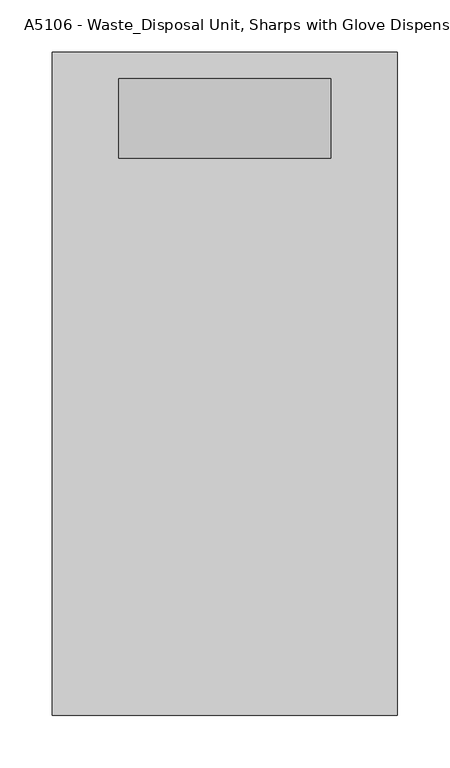
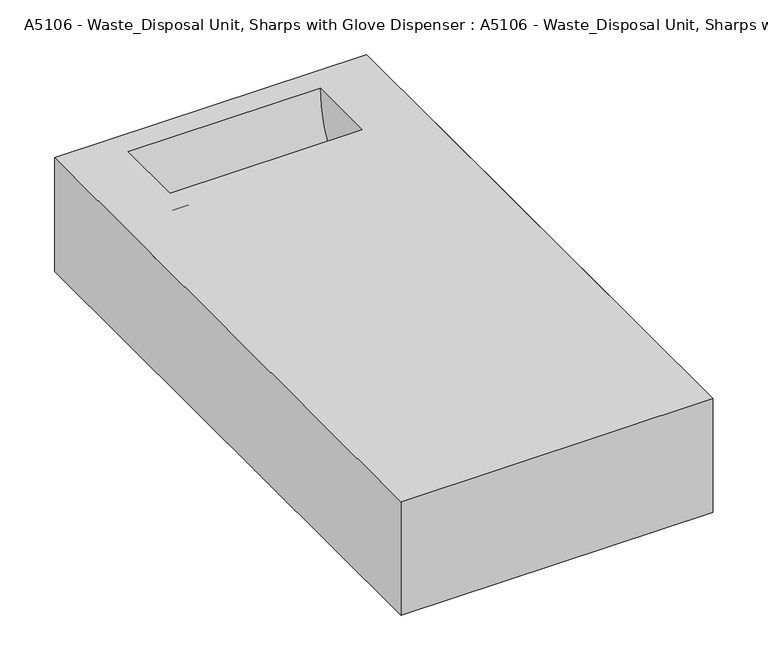
"""IFC4 building model written with IfcOpenShell, lengths in millimetres: proxy geometry, A5106 - Waste_Disposal Unit, Sharps with Glove Dispenser : A5106 - Waste_Disposal Unit, Sharps with Glove Dispenser."""

from ifc_helpers import new_model, si_unit, frame, origin, origin_with_axes, place, context, project, spatial, polyline, circle_curve, outline, extrude, source, transform, mapped, element, save
from ifc_brep_helpers import plane_surface, cylinder_surface, revolved_surface, advanced_brep


def a5106_waste_disposal_unit_sharps_with_glove_dispenser_a5106_6c6db77e(model_context):
    return source(origin(), model_context, "Body", "SolidModel", [
        advanced_brep(
        [(165.1, 558.8, 127.0), (-165.1, 558.8, 127.0), (-165.1, -76.2, 127.0), (165.1, -76.2, 127.0), (101.6, 533.4, 127.0), (101.6, 457.2, 127.0), (-101.6, 457.2, 127.0), (-101.6, 533.4, 127.0), (165.1, 558.8, 0.0), (165.1, -76.2, 0.0), (-165.1, -76.2, 0.0), (-165.1, 558.8, 0.0), (101.6, 457.2, 25.4), (-101.6, 457.2, 25.4)],
        [
            (0, 1),
            (1, 2),
            (2, 3),
            (3, 0),
            (4, 5),
            (5, 6),
            (6, 7),
            (7, 4),
            (8, 9),
            (9, 10),
            (10, 11),
            (11, 8),
            (0, 8),
            (11, 1),
            (10, 2),
            (9, 3),
            (4, 12, circle_curve(frame((101.6, 428.5291538, 126.2781346), z_axis=(-1.0, 0.0, 0.0), x_axis=(0.0, 1.0, 0.0)), 104.8733306)),
            (12, 5),
            (6, 13),
            (13, 7, circle_curve(frame((-101.6, 428.5291538, 126.2781346), z_axis=(1.0, 0.0, 0.0), x_axis=(0.0, 1.0, 0.0)), 104.8733306)),
            (12, 13),
        ],
        [
            plane_surface(frame((-165.1, 558.8, 127.0), z_axis=(0.0, 0.0, 1.0), x_axis=(-1.0, 0.0, 0.0))),
            plane_surface(frame((-165.1, 558.8, 0.0), z_axis=(0.0, 0.0, -1.0), x_axis=(1.0, 0.0, 0.0))),
            plane_surface(frame((165.1, 558.8, 127.0), z_axis=(0.0, 1.0, 0.0), x_axis=(0.0, 0.0, -1.0))),
            plane_surface(frame((-165.1, 558.8, 127.0), z_axis=(-1.0, 0.0, 0.0), x_axis=(0.0, 0.0, -1.0))),
            plane_surface(frame((-165.1, -76.2, 127.0), z_axis=(0.0, -1.0, 0.0), x_axis=(0.0, 0.0, -1.0))),
            plane_surface(frame((165.1, -76.2, 127.0), z_axis=(1.0, 0.0, 0.0), x_axis=(0.0, 0.0, -1.0))),
            plane_surface(frame((101.6, 457.2, 127.0), z_axis=(-1.0, 0.0, 0.0), x_axis=(0.0, 0.0, -1.0))),
            plane_surface(frame((-101.6, 457.2, 127.0), z_axis=(1.0, 0.0, 0.0), x_axis=(0.0, 0.0, 1.0))),
            plane_surface(frame((101.6, 457.2, 127.0), z_axis=(0.0, 1.0, 0.0), x_axis=(-1.0, 0.0, 0.0))),
            revolved_surface(polyline([(101.6, 533.4024844, 126.2781346), (-101.6, 533.4024844, 126.2781346)]), (-101.6, 428.5291538, 126.2781346), (1.0, 0.0, 0.0)),
        ],
        [
            (0, [[1, 2, 3, 4], [5, 6, 7, 8]]),
            (1, [[9, 10, 11, 12]]),
            (2, [[-1, 13, -12, 14]]),
            (3, [[-2, -14, -11, 15]]),
            (4, [[-3, -15, -10, 16]]),
            (5, [[-4, -16, -9, -13]]),
            (6, [[17, 18, -5]]),
            (7, [[19, 20, -7]]),
            (8, [[-18, 21, -19, -6]]),
            (9, [[-17, -8, -20, -21]]),
        ],
    ),
        advanced_brep(
        [(127.0, 431.8, 0.0), (127.0, 558.8, 127.0), (127.0, 431.8, 127.0), (-127.0, 431.8, 0.0), (-127.0, 431.8, 127.0), (-127.0, 558.8, 127.0), (101.6, 533.4, 127.0), (101.6, 457.2, 127.0), (-101.6, 457.2, 127.0), (-101.6, 533.4, 127.0), (101.6, 457.2, 25.4), (-101.6, 457.2, 25.4)],
        [
            (0, 1, circle_curve(frame((127.0, 431.8, 127.0), z_axis=(1.0, 0.0, 0.0), x_axis=(0.0, 0.0, -1.0)), 127.0)),
            (1, 2),
            (2, 0),
            (3, 4),
            (4, 5),
            (5, 3, circle_curve(frame((-127.0, 431.8, 127.0), z_axis=(-1.0, 0.0, 0.0), x_axis=(0.0, 0.0, -1.0)), 127.0)),
            (0, 3),
            (5, 1),
            (4, 2),
            (6, 7),
            (7, 8),
            (8, 9),
            (9, 6),
            (6, 10, circle_curve(frame((101.6, 428.5291538, 126.2781346), z_axis=(-1.0, 0.0, 0.0), x_axis=(0.0, 1.0, 0.0)), 104.8733306)),
            (10, 7),
            (8, 11),
            (11, 9, circle_curve(frame((-101.6, 428.5291538, 126.2781346), z_axis=(1.0, 0.0, 0.0), x_axis=(0.0, 1.0, 0.0)), 104.8733306)),
            (10, 11),
        ],
        [
            plane_surface(frame((127.0, 431.8, 0.0), z_axis=(1.0, 0.0, 0.0), x_axis=(0.0, 1.0, 0.0))),
            plane_surface(frame((-127.0, 431.8, 0.0), z_axis=(-1.0, 0.0, 0.0), x_axis=(0.0, -1.0, 0.0))),
            cylinder_surface(frame((-127.0, 431.8, 127.0), z_axis=(1.0, 0.0, 0.0), x_axis=(0.0, 0.0, -1.0)), 127.0),
            plane_surface(frame((127.0, 558.8, 127.0), z_axis=(0.0, 0.0, 1.0), x_axis=(-1.0, 0.0, 0.0))),
            plane_surface(frame((127.0, 431.8, 127.0), z_axis=(0.0, -1.0, 0.0), x_axis=(-1.0, 0.0, 0.0))),
            plane_surface(frame((101.6, 457.2, 127.0), z_axis=(-1.0, 0.0, 0.0), x_axis=(0.0, 0.0, -1.0))),
            plane_surface(frame((-101.6, 457.2, 127.0), z_axis=(1.0, 0.0, 0.0), x_axis=(0.0, 0.0, 1.0))),
            plane_surface(frame((101.6, 457.2, 127.0), z_axis=(0.0, 1.0, 0.0), x_axis=(-1.0, 0.0, 0.0))),
            revolved_surface(polyline([(101.6, 533.4024844, 126.2781346), (-101.6, 533.4024844, 126.2781346)]), (-101.6, 428.5291538, 126.2781346), (1.0, 0.0, 0.0)),
        ],
        [
            (0, [[1, 2, 3]]),
            (1, [[4, 5, 6]]),
            (2, [[-1, 7, -6, 8]]),
            (3, [[-2, -8, -5, 9], [10, 11, 12, 13]]),
            (4, [[-3, -9, -4, -7]]),
            (5, [[14, 15, -10]]),
            (6, [[16, 17, -12]]),
            (7, [[-15, 18, -16, -11]]),
            (8, [[-14, -13, -17, -18]]),
        ],
    ),
        extrude(outline(polyline([(127.0, 76.2), (127.0, -76.2), (-127.0, -76.2), (-127.0, 76.2), (127.0, 76.2)])), origin_with_axes(), (0.0, 0.0, 1.0), 101.6),
        extrude(outline(polyline([(165.1, 431.8), (165.1, 76.2), (-165.1, 76.2), (-165.1, 431.8), (165.1, 431.8)])), origin_with_axes(), (0.0, 0.0, 1.0), 127.0),
    ])


if __name__ == "__main__":
    model = new_model("IFC4")
    model_context = context("Model", 3, world=origin())
    ifc_project = project(units=[si_unit("LENGTHUNIT", "METRE", prefix="MILLI")], contexts=[model_context])
    site = spatial("IfcSite", under=ifc_project)
    building = spatial("IfcBuilding", under=site)
    placement = place(None, origin())
    a5106_waste_disposal_unit_sharps_with_glove_dispenser_a5106_shape = a5106_waste_disposal_unit_sharps_with_glove_dispenser_a5106_6c6db77e(model_context)
    element("IfcBuildingElementProxy", 1, Name="A5106 - Waste_Disposal Unit, Sharps with Glove Dispenser : A5106 - Waste_Disposal Unit, Sharps with Glove Dispenser", ObjectType="A5106 - Waste_Disposal Unit, Sharps with Glove Dispenser : A5106 - Waste_Disposal Unit, Sharps with Glove Dispenser", at=placement, inside=building, context=model_context, shape_type="MappedRepresentation", body=[
        mapped(a5106_waste_disposal_unit_sharps_with_glove_dispenser_a5106_shape, transform((0.0, 0.0, 0.0), x_axis=(1.0, 0.0, 0.0), y_axis=(0.0, 1.0, 0.0), z_axis=(0.0, 0.0, 1.0))),
    ])
    save(model, "model.ifc")
